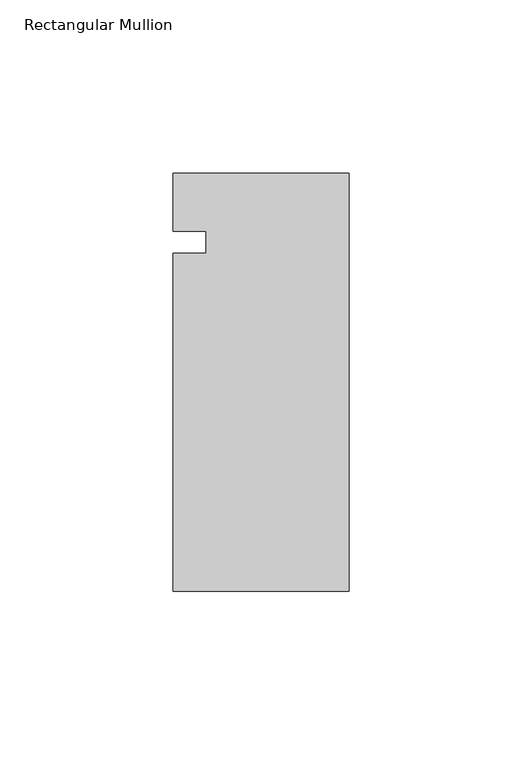
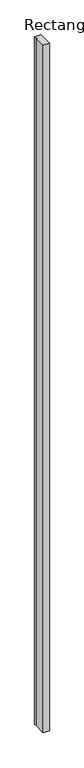
"""IFC4 building model written with IfcOpenShell, lengths in millimetres: member geometry, Rectangular Mullion."""

from ifc_helpers import new_model, si_unit, frame, origin, place, context, project, spatial, polyline, outline, extrude, source, transform, mapped, element, save


def rectangular_mullion_7f40a48b(model_context):
    return source(origin(), model_context, "Body", "SweptSolid", [
        extrude(outline(polyline([(-41.275, 37.2392623), (-41.275, 43.6795006), (-50.7746, 43.6795006), (-50.7746, 60.3707761), (0.0, 60.3707761), (0.0, -60.2792239), (-50.8, -60.2792239), (-50.8, 37.2392623), (-41.275, 37.2392623)])), frame((0.0, 0.0, -5994.4000082), z_axis=(0.0, 0.0, 1.0), x_axis=(1.0, 0.0, 0.0)), (0.0, 0.0, 1.0), 5994.4000082),
    ])


if __name__ == "__main__":
    model = new_model("IFC4")
    model_context = context("Model", 3, world=origin())
    ifc_project = project(units=[si_unit("LENGTHUNIT", "METRE", prefix="MILLI")], contexts=[model_context])
    site = spatial("IfcSite", under=ifc_project)
    building = spatial("IfcBuilding", under=site)
    placement = place(None, origin())
    rectangular_mullion_shape = rectangular_mullion_7f40a48b(model_context)
    element("IfcMember", 1, ObjectType="Rectangular Mullion", at=placement, inside=building, context=model_context, shape_type="MappedRepresentation", body=[
        mapped(rectangular_mullion_shape, transform((0.0, 0.0, 0.0), x_axis=(1.0, 0.0, 0.0), y_axis=(0.0, 1.0, 0.0), z_axis=(0.0, 0.0, 1.0))),
    ])
    save(model, "model.ifc")
